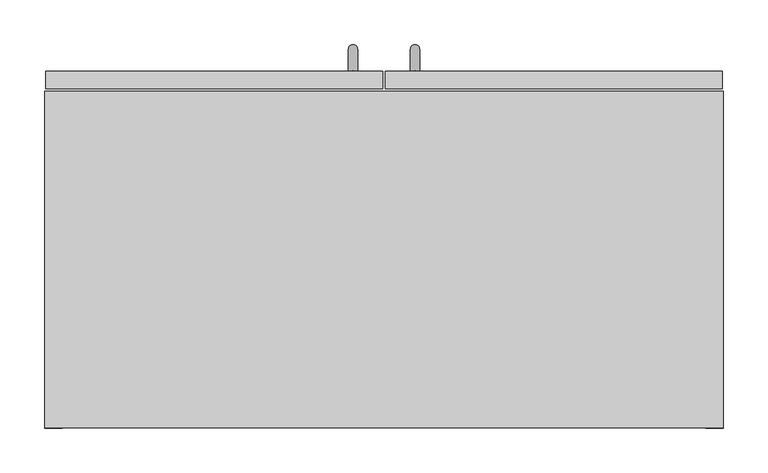
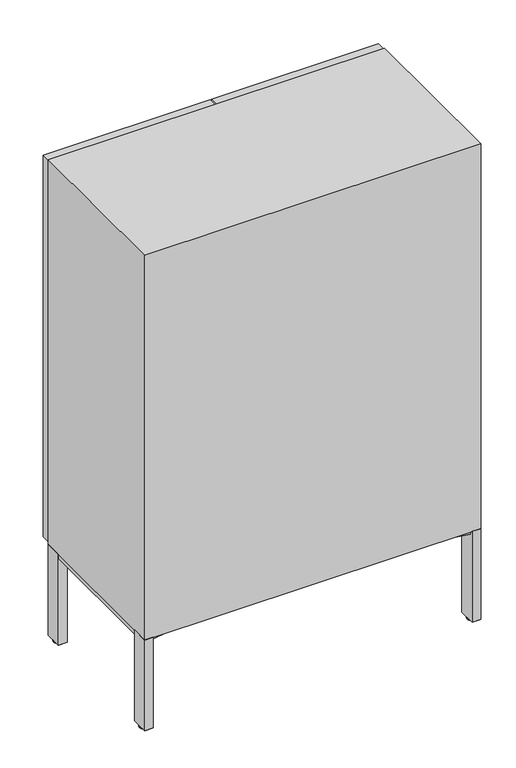
"""IFC4 building model written with IfcOpenShell, lengths in millimetres: furniture geometry."""

import ifcopenshell
import ifcopenshell.guid

model = None  # the IFC model being written
_history = None  # IfcOwnerHistory: only IFC2X3 demands one
_inside = {}  # id of a spatial element -> (the spatial element, [elements in it])
_under = {}  # id of a project, library or spatial element -> (it, [spatial elements below it])
_declared = {}  # id of a project -> (the project, [libraries it declares])
_typed = {}  # id of a type object -> (the type object, [elements of that type])
_made_of = {}  # id of a material, layer set ... -> (it, [elements and type objects made of it])


def new_model(schema):
    """Start an empty IFC model of exactly this schema.

    Asked for "IFC4X3", IfcOpenShell would pick the latest addendum, in which some entities
    have other attributes; the version numbers below select the first issue.
    IFC2X3 requires an IfcOwnerHistory on every rooted entity: one is made here for all.
    """
    global model, _history
    if schema == "IFC4X3":
        model = ifcopenshell.file(schema_version=(4, 3, 0, 0))
    else:
        model = ifcopenshell.file(schema=schema)
    _inside.clear()
    _under.clear()
    _declared.clear()
    _typed.clear()
    _made_of.clear()
    _history = None
    if model.schema == "IFC2X3":
        org = make("IfcOrganization", Name="unknown")
        user = make(
            "IfcPersonAndOrganization",
            ThePerson=make("IfcPerson", FamilyName="unknown"),
            TheOrganization=org,
        )
        app = make(
            "IfcApplication",
            ApplicationDeveloper=org,
            Version="unknown",
            ApplicationFullName="unknown",
            ApplicationIdentifier="unknown",
        )
        _history = make(
            "IfcOwnerHistory",
            OwningUser=user,
            OwningApplication=app,
            ChangeAction="ADDED",
            CreationDate=0,
        )
    return model


def make(cls, **values):
    """One entity of the class cls with the attributes given. An attribute that is None is left unset."""
    return model.create_entity(
        cls, **{name: value for name, value in values.items() if value is not None}
    )


def rooted(cls, **values):
    """An entity with a GlobalId (a new one), such as an element, a storey or a relation."""
    return make(cls, GlobalId=ifcopenshell.guid.new(), OwnerHistory=_history, **values)


def si_unit(unit_type, name, prefix=None):
    """IfcSIUnit, for example si_unit("LENGTHUNIT", "METRE", prefix="MILLI")."""
    return make("IfcSIUnit", UnitType=unit_type, Prefix=prefix, Name=name)


def assignment(units):
    """IfcUnitAssignment: the units of a project."""
    return None if units is None else make("IfcUnitAssignment", Units=units)


def point(xyz):
    """IfcCartesianPoint."""
    return None if xyz is None else make("IfcCartesianPoint", Coordinates=xyz)


def direction(xyz):
    """IfcDirection."""
    return None if xyz is None else make("IfcDirection", DirectionRatios=xyz)


def frame(location, z_axis=None, x_axis=None):
    """IfcAxis2Placement3D, a coordinate frame: its origin and axes. An axis left out is left unset."""
    return make(
        "IfcAxis2Placement3D",
        Location=point(location),
        Axis=direction(z_axis),
        RefDirection=direction(x_axis),
    )


def origin():
    """The frame at (0, 0, 0) with its axes left unset."""
    return frame((0.0, 0.0, 0.0))


def place(relative_to, where):
    """IfcLocalPlacement: puts the frame where relative to a parent placement (None: the world)."""
    return make(
        "IfcLocalPlacement", PlacementRelTo=relative_to, RelativePlacement=where
    )


def context(
    kind, dimensions, precision=None, world=None, true_north=None, identifier=None
):
    """IfcGeometricRepresentationContext, for example the 3D "Model" context."""
    return make(
        "IfcGeometricRepresentationContext",
        ContextIdentifier=identifier,
        ContextType=kind,
        CoordinateSpaceDimension=dimensions,
        Precision=precision,
        WorldCoordinateSystem=world,
        TrueNorth=true_north,
    )


def project(units=None, contexts=None):
    """IfcProject with its units and contexts."""
    return rooted(
        "IfcProject",
        Name="project",
        RepresentationContexts=contexts,
        UnitsInContext=assignment(units),
    )


def spatial(cls, under=None, at=None, **own):
    """A site, building, storey or space (cls), placed at a placement, below another one or the project."""
    s = rooted(cls, ObjectPlacement=at, **own)
    if under is not None:
        _under.setdefault(under.id(), (under, []))[1].append(s)
    return s


def polyline(points):
    """IfcPolyline through the points."""
    return make("IfcPolyline", Points=[point(p) for p in points])


def circle_curve(where, radius):
    """IfcCircle in the frame where."""
    return make("IfcCircle", Position=where, Radius=radius)


def ellipse_curve(where, semi_axis1, semi_axis2):
    """IfcEllipse in the frame where."""
    return make(
        "IfcEllipse", Position=where, SemiAxis1=semi_axis1, SemiAxis2=semi_axis2
    )


def trimmed(basis, trim1, trim2, sense, master):
    """IfcTrimmedCurve: the piece of a basis curve between two trims."""
    return make(
        "IfcTrimmedCurve",
        BasisCurve=basis,
        Trim1=trim1,
        Trim2=trim2,
        SenseAgreement=sense,
        MasterRepresentation=master,
    )


def outline(outer, holes=None, kind="AREA"):
    """IfcArbitraryClosedProfileDef: a profile drawn as a closed curve; with holes, ...WithVoids."""
    if holes is None:
        return make("IfcArbitraryClosedProfileDef", ProfileType=kind, OuterCurve=outer)
    return make(
        "IfcArbitraryProfileDefWithVoids",
        ProfileType=kind,
        OuterCurve=outer,
        InnerCurves=holes,
    )


def extrude(swept, where, along, depth):
    """IfcExtrudedAreaSolid: the profile swept, set in the frame where, extruded along a direction by depth."""
    return make(
        "IfcExtrudedAreaSolid",
        SweptArea=swept,
        Position=where,
        ExtrudedDirection=direction(along),
        Depth=depth,
    )


def faces_of(points, faces, orient=None, outer=None):
    """IfcFace entities. A face is a list of loops; a loop is a list of indices into points, from 0.

    orient and outer hold one flag for each loop. By default every Orientation is true, the
    first loop of a face is its IfcFaceOuterBound and the others are IfcFaceBound.
    """
    made = []
    for i, loops in enumerate(faces):
        bounds = []
        for j, loop in enumerate(loops):
            is_outer = j == 0 if outer is None else outer[i][j]
            bounds.append(
                make(
                    "IfcFaceOuterBound" if is_outer else "IfcFaceBound",
                    Bound=make("IfcPolyLoop", Polygon=[points[k] for k in loop]),
                    Orientation=True if orient is None else orient[i][j],
                )
            )
        made.append(make("IfcFace", Bounds=bounds))
    return made


def faceted_brep(points, faces, orient=None, outer=None, voids=None):
    """IfcFacetedBrep: a solid bounded by flat faces; with voids (closed shells), ...WithVoids."""
    shared = [point(p) for p in points]
    hull = make("IfcClosedShell", CfsFaces=faces_of(shared, faces, orient, outer))
    if voids is None:
        return make("IfcFacetedBrep", Outer=hull)
    return make(
        "IfcFacetedBrepWithVoids",
        Outer=hull,
        Voids=[
            make(cls, CfsFaces=faces_of(shared, fs, o, b)) for cls, fs, o, b in voids
        ],
    )


def shape(context_of_items, identifier, shape_type, items):
    """IfcShapeRepresentation: the items that make up one representation, for example the "Body"."""
    return make(
        "IfcShapeRepresentation",
        ContextOfItems=context_of_items,
        RepresentationIdentifier=identifier,
        RepresentationType=shape_type,
        Items=items,
    )


def source(mapping_origin, context_of_items, identifier, shape_type, items):
    """IfcRepresentationMap: a shape defined once, which mapped items show again and again."""
    return make(
        "IfcRepresentationMap",
        MappingOrigin=mapping_origin,
        MappedRepresentation=shape(context_of_items, identifier, shape_type, items),
    )


def transform(
    local_origin,
    x_axis=None,
    y_axis=None,
    z_axis=None,
    scale=None,
    scale2=None,
    scale3=None,
    uniform=True,
):
    """IfcCartesianTransformationOperator3D, or its non-uniform kind. x_axis, y_axis, z_axis: its Axis1, 2, 3."""
    if uniform:
        return make(
            "IfcCartesianTransformationOperator3D",
            Axis1=direction(x_axis),
            Axis2=direction(y_axis),
            LocalOrigin=point(local_origin),
            Scale=scale,
            Axis3=direction(z_axis),
        )
    return make(
        "IfcCartesianTransformationOperator3DnonUniform",
        Axis1=direction(x_axis),
        Axis2=direction(y_axis),
        LocalOrigin=point(local_origin),
        Scale=scale,
        Axis3=direction(z_axis),
        Scale2=scale2,
        Scale3=scale3,
    )


def mapped(mapping_source, mapping_target):
    """IfcMappedItem: shows the shape of a source again, moved by a transform."""
    return make(
        "IfcMappedItem", MappingSource=mapping_source, MappingTarget=mapping_target
    )


def made_of(thing, what):
    """Note that an element or type object is made of a material, layer set ...; save() writes the relation."""
    if what is not None:
        _made_of.setdefault(what.id(), (what, []))[1].append(thing)
    return thing


def element(
    cls,
    number,
    at=None,
    inside=None,
    cuts=None,
    type_object=None,
    material=None,
    context=None,
    identifier="Body",
    shape_type=None,
    held_by="IfcProductDefinitionShape",
    body=None,
    shapes=None,
    **own,
):
    """One element of the class cls, such as IfcWall. Its Tag is "e" and its number.

    at: its placement. inside: the storey or other place that contains it. cuts: it is an
    opening in that element (IfcRelVoidsElement). A single representation is given by context,
    identifier, shape_type and body (its items); several are given by shapes. held_by: the class
    of the entity that holds the representations. save() writes the other relations.
    """
    e = rooted(cls, Tag="e%d" % number, ObjectPlacement=at, **own)
    if body is not None:
        shapes = [shape(context, identifier, shape_type, body)]
    if shapes is not None:
        e.Representation = make(held_by, Representations=shapes)
    if inside is not None:
        _inside.setdefault(inside.id(), (inside, []))[1].append(e)
    if cuts is not None:
        rooted(
            "IfcRelVoidsElement", RelatingBuildingElement=cuts, RelatedOpeningElement=e
        )
    if type_object is not None:
        _typed.setdefault(type_object.id(), (type_object, []))[1].append(e)
    return made_of(e, material)


def aggregate(whole, parts):
    """IfcRelAggregates: a whole, such as a stair, and the parts it consists of."""
    return rooted("IfcRelAggregates", RelatingObject=whole, RelatedObjects=parts)


def save(model, path):
    """Write the relations noted so far, then the file.

    IfcRelAggregates (storeys below a building ...), IfcRelContainedInSpatialStructure (elements
    in a storey), IfcRelDefinesByType, IfcRelAssociatesMaterial and IfcRelDeclares: one each for
    every whole, place, type object, material and project.
    """
    for whole, parts in _under.values():
        aggregate(whole, parts)
    for where, things in _inside.values():
        rooted(
            "IfcRelContainedInSpatialStructure",
            RelatedElements=things,
            RelatingStructure=where,
        )
    for kind, things in _typed.values():
        rooted("IfcRelDefinesByType", RelatedObjects=things, RelatingType=kind)
    for what, things in _made_of.values():
        rooted("IfcRelAssociatesMaterial", RelatedObjects=things, RelatingMaterial=what)
    for by, libraries in _declared.values():
        rooted("IfcRelDeclares", RelatingContext=by, RelatedDefinitions=libraries)
    model.write(path)


def plane_surface(at):
    """IfcPlane: the flat surface through the origin of the frame at, square to its z axis."""
    return make("IfcPlane", Position=at)


def cylinder_surface(at, radius):
    """IfcCylindricalSurface: all points at the distance radius from the z axis of the frame at."""
    return make("IfcCylindricalSurface", Position=at, Radius=radius)


def revolved_surface(curve, axis_point, axis_direction):
    """IfcSurfaceOfRevolution: the curve turned about the line through axis_point along axis_direction."""
    return make(
        "IfcSurfaceOfRevolution",
        SweptCurve=make("IfcArbitraryOpenProfileDef", ProfileType="CURVE", Curve=curve),
        AxisPosition=make("IfcAxis1Placement", Location=point(axis_point), Axis=direction(axis_direction)),
    )


def advanced_brep(points, edges, surfaces, faces):
    """IfcAdvancedBrep: a solid bounded by faces that lie on surfaces and meet in shared edges.

    An edge is (start, end): straight between two places in points (the first is 0);
    or (start, end, curve); or (start, end, curve, False) where it runs against its curve.
    A face is (place in surfaces, loops), or (place, loops, False) where it looks against
    its surface's normal. A loop lists edges by number (the first is 1), with a minus sign
    where the edge is run from its end to its start. The first loop is the outer one.
    """
    corners = [point(p) for p in points]
    vertices = [make("IfcVertexPoint", VertexGeometry=c) for c in corners]
    made = []
    for start, end, *more in edges:
        made.append(
            make(
                "IfcEdgeCurve",
                EdgeStart=vertices[start],
                EdgeEnd=vertices[end],
                EdgeGeometry=more[0] if more else make("IfcPolyline", Points=[corners[start], corners[end]]),
                SameSense=more[1] if len(more) > 1 else True,
            )
        )
    hull = []
    for where, loops, *sense in faces:
        bounds = []
        for j, loop in enumerate(loops):
            ring = [make("IfcOrientedEdge", EdgeElement=made[abs(k) - 1], Orientation=k > 0) for k in loop]
            bounds.append(
                make(
                    "IfcFaceOuterBound" if j == 0 else "IfcFaceBound",
                    Bound=make("IfcEdgeLoop", EdgeList=ring),
                    Orientation=True,
                )
            )
        hull.append(make("IfcAdvancedFace", Bounds=bounds, FaceSurface=surfaces[where], SameSense=sense[0] if sense else True))
    return make("IfcAdvancedBrep", Outer=make("IfcClosedShell", CfsFaces=hull))


def furniture_39025631(model_context):
    return source(origin(), model_context, "Body", "SolidModel", [
        advanced_brep(
        [(752.078125, 350.5565183, 0.0), (752.078125, 358.1906364, 0.0), (752.078125, 365.8247546, 0.0), (752.078125, 348.2844582, 2.2720601), (752.078125, 368.0968147, 2.2720601), (752.078125, 348.2844582, 3.8099903), (752.078125, 368.0968147, 3.8099903), (752.078125, 358.1906364, 3.8099903)],
        [
            (0, 1),
            (1, 2),
            (2, 0, circle_curve(frame((752.078125, 358.1906364, 0.0), z_axis=(0.0, 0.0, -1.0), x_axis=(0.0, 1.0, 0.0)), 7.6341181)),
            (0, 2, circle_curve(frame((752.078125, 358.1906364, 0.0), z_axis=(0.0, 0.0, -1.0), x_axis=(0.0, 1.0, 0.0)), 7.6341181)),
            (3, 0, circle_curve(frame((752.078125, 350.5565183, 2.2720601), z_axis=(1.0, 0.0, 0.0), x_axis=(0.0, 1.0, 0.0)), 2.2720601)),
            (2, 4, circle_curve(frame((752.078125, 365.8247546, 2.2720601), z_axis=(1.0, 0.0, 0.0), x_axis=(0.0, -1.0, 0.0)), 2.2720601)),
            (4, 3, circle_curve(frame((752.078125, 358.1906364, 2.2720601), z_axis=(0.0, 0.0, -1.0), x_axis=(0.0, 1.0, 0.0)), 9.9061783)),
            (3, 4, circle_curve(frame((752.078125, 358.1906364, 2.2720601), z_axis=(0.0, 0.0, -1.0), x_axis=(0.0, 1.0, 0.0)), 9.9061783)),
            (5, 3),
            (4, 6),
            (6, 5, circle_curve(frame((752.078125, 358.1906364, 3.8099903), z_axis=(0.0, 0.0, -1.0), x_axis=(0.0, 1.0, 0.0)), 9.9061783)),
            (5, 6, circle_curve(frame((752.078125, 358.1906364, 3.8099903), z_axis=(0.0, 0.0, -1.0), x_axis=(0.0, 1.0, 0.0)), 9.9061783)),
            (7, 5),
            (6, 7),
        ],
        [
            plane_surface(frame((752.078125, 358.1906364, 0.0), z_axis=(0.0, 0.0, -1.0), x_axis=(0.0, 1.0, 0.0))),
            revolved_surface(trimmed(ellipse_curve(frame((752.078125, 365.8247546, 2.2720601), z_axis=(1.0, 0.0, 0.0), x_axis=(0.0, -1.0, 0.0)), 2.2720601, 2.2720601), [point((752.078125, 365.8247546, 0.0))], [point((752.078125, 368.0968147, 2.2720601))], True, "CARTESIAN"), (752.078125, 358.1906364, 7.1227407), (0.0, 0.0, 1.0)),
            cylinder_surface(frame((752.078125, 358.1906364, 7.1227407), z_axis=(0.0, 0.0, 1.0), x_axis=(0.0, 1.0, 0.0)), 9.9061783),
            plane_surface(frame((752.078125, 358.1906364, 3.8099903), z_axis=(0.0, 0.0, 1.0), x_axis=(0.0, 1.0, 0.0))),
        ],
        [
            (0, [[1, 2, 3]]),
            (0, [[-2, -1, 4]]),
            (1, [[5, -3, 6, 7]]),
            (1, [[-6, -4, -5, 8]]),
            (2, [[9, -7, 10, 11]]),
            (2, [[-10, -8, -9, 12]]),
            (3, [[13, -11, 14]]),
            (3, [[-14, -12, -13]]),
        ],
    ),
        extrude(outline(polyline([(743.8854686, 376.2345932), (760.1414228, 376.2345932), (760.1414228, 340.1469704), (743.8854686, 340.1469704), (743.8854686, 376.2345932)]), holes=[polyline([(745.1554613, 374.9646126), (745.1554613, 341.416951), (758.871424, 341.416951), (758.871424, 374.9646126), (745.1554613, 374.9646126)])]), frame((0.0, 0.0, 3.8099903), z_axis=(0.0, 0.0, 1.0), x_axis=(1.0, 0.0, 0.0)), (0.0, 0.0, 1.0), 1.5750008),
        extrude(outline(polyline([(655.9709602, 354.586388), (742.1836224, 371.3444319), (742.1836224, 338.3787643), (759.6140763, 338.3787643), (759.6140763, 257.8690794), (624.2679386, 241.2866938), (624.2679386, 335.4554316), (658.4000055, 342.0900333), (655.9709602, 354.586388)])), frame((0.0, 0.0, 211.9174185), z_axis=(0.0, 0.0, 1.0), x_axis=(1.0, 0.0, 0.0)), (0.0, 0.0, 1.0), 10.7575071),
        extrude(outline(polyline([(742.1836224, 378.0027992), (762.0, 378.0027992), (762.0, 338.3787643), (742.1836224, 338.3787643), (742.1836224, 378.0027992)])), frame((0.0, 0.0, 5.3850274), z_axis=(0.0, 0.0, 1.0), x_axis=(1.0, 0.0, 0.0)), (0.0, 0.0, 1.0), 217.2898982),
        advanced_brep(
        [(752.078125, 27.4462809, 0.0), (752.078125, 12.1780446, 0.0), (752.078125, 19.8121628, 0.0), (752.078125, 29.7183411, 2.2720601), (752.078125, 9.9059845, 2.2720601), (752.078125, 29.7183411, 3.8099903), (752.078125, 9.9059845, 3.8099903), (752.078125, 19.8121628, 3.8099903)],
        [
            (0, 1, circle_curve(frame((752.078125, 19.8121628, 0.0), z_axis=(0.0, 0.0, -1.0), x_axis=(0.0, -1.0, 0.0)), 7.6341181)),
            (1, 2),
            (2, 0),
            (1, 0, circle_curve(frame((752.078125, 19.8121628, 0.0), z_axis=(0.0, 0.0, -1.0), x_axis=(0.0, -1.0, 0.0)), 7.6341181)),
            (3, 4, circle_curve(frame((752.078125, 19.8121628, 2.2720601), z_axis=(0.0, 0.0, -1.0), x_axis=(0.0, -1.0, 0.0)), 9.9061783)),
            (4, 1, circle_curve(frame((752.078125, 12.1780446, 2.2720601), z_axis=(1.0, 0.0, 0.0), x_axis=(0.0, 1.0, 0.0)), 2.2720601)),
            (0, 3, circle_curve(frame((752.078125, 27.4462809, 2.2720601), z_axis=(1.0, 0.0, 0.0), x_axis=(0.0, -1.0, 0.0)), 2.2720601)),
            (4, 3, circle_curve(frame((752.078125, 19.8121628, 2.2720601), z_axis=(0.0, 0.0, -1.0), x_axis=(0.0, -1.0, 0.0)), 9.9061783)),
            (5, 6, circle_curve(frame((752.078125, 19.8121628, 3.8099903), z_axis=(0.0, 0.0, -1.0), x_axis=(0.0, -1.0, 0.0)), 9.9061783)),
            (6, 4),
            (3, 5),
            (6, 5, circle_curve(frame((752.078125, 19.8121628, 3.8099903), z_axis=(0.0, 0.0, -1.0), x_axis=(0.0, -1.0, 0.0)), 9.9061783)),
            (7, 6),
            (5, 7),
        ],
        [
            plane_surface(frame((752.078125, 19.8121628, 0.0), z_axis=(0.0, 0.0, -1.0), x_axis=(0.0, -1.0, 0.0))),
            revolved_surface(trimmed(ellipse_curve(frame((752.078125, 12.1780446, 2.2720601), z_axis=(-1.0, 0.0, 0.0), x_axis=(0.0, 1.0, 0.0)), 2.2720601, 2.2720601), [point((752.078125, 12.1780446, 0.0))], [point((752.078125, 9.9059845, 2.2720601))], True, "CARTESIAN"), (752.078125, 19.8121628, 7.1227407), (0.0, 0.0, 1.0)),
            cylinder_surface(frame((752.078125, 19.8121628, 7.1227407), z_axis=(0.0, 0.0, 1.0), x_axis=(0.0, -1.0, 0.0)), 9.9061783),
            plane_surface(frame((752.078125, 19.8121628, 3.8099903), z_axis=(0.0, 0.0, 1.0), x_axis=(0.0, -1.0, 0.0))),
        ],
        [
            (0, [[1, 2, 3]]),
            (0, [[4, -3, -2]]),
            (1, [[5, 6, -1, 7]]),
            (1, [[8, -7, -4, -6]]),
            (2, [[9, 10, -5, 11]]),
            (2, [[12, -11, -8, -10]]),
            (3, [[13, -9, 14]]),
            (3, [[-14, -12, -13]]),
        ],
    ),
        extrude(outline(polyline([(743.8854686, 1.768206), (743.8854686, 37.8558289), (760.1414228, 37.8558289), (760.1414228, 1.768206), (743.8854686, 1.768206)]), holes=[polyline([(745.1554613, 3.0381866), (758.871424, 3.0381866), (758.871424, 36.5858482), (745.1554613, 36.5858482), (745.1554613, 3.0381866)])]), frame((0.0, 0.0, 3.8099903), z_axis=(0.0, 0.0, 1.0), x_axis=(1.0, 0.0, 0.0)), (0.0, 0.0, 1.0), 1.5750008),
        extrude(outline(polyline([(655.9709602, 23.4164113), (658.4000055, 35.9127659), (624.2679386, 42.5473676), (624.2679386, 136.7161055), (759.6140763, 120.1337198), (759.6140763, 39.6240349), (742.1836224, 39.6240349), (742.1836224, 6.6583673), (655.9709602, 23.4164113)])), frame((0.0, 0.0, 211.9174185), z_axis=(0.0, 0.0, 1.0), x_axis=(1.0, 0.0, 0.0)), (0.0, 0.0, 1.0), 10.7575071),
        extrude(outline(polyline([(742.1836224, 0.0), (742.1836224, 39.6240349), (762.0, 39.6240349), (762.0, 0.0), (742.1836224, 0.0)])), frame((0.0, 0.0, 5.3850274), z_axis=(0.0, 0.0, 1.0), x_axis=(1.0, 0.0, 0.0)), (0.0, 0.0, 1.0), 217.2898982),
        advanced_brep(
        [(9.921875, 350.5565183, 0.0), (9.921875, 365.8247546, 0.0), (9.921875, 358.1906364, 0.0), (9.921875, 348.2844582, 2.2720601), (9.921875, 368.0968147, 2.2720601), (9.921875, 348.2844582, 3.8099903), (9.921875, 368.0968147, 3.8099903), (9.921875, 358.1906364, 3.8099903)],
        [
            (0, 1, circle_curve(frame((9.921875, 358.1906364, 0.0), z_axis=(0.0, 0.0, -1.0), x_axis=(0.0, 1.0, 0.0)), 7.6341181)),
            (1, 2),
            (2, 0),
            (1, 0, circle_curve(frame((9.921875, 358.1906364, 0.0), z_axis=(0.0, 0.0, -1.0), x_axis=(0.0, 1.0, 0.0)), 7.6341181)),
            (3, 4, circle_curve(frame((9.921875, 358.1906364, 2.2720601), z_axis=(0.0, 0.0, -1.0), x_axis=(0.0, 1.0, 0.0)), 9.9061783)),
            (4, 1, circle_curve(frame((9.921875, 365.8247546, 2.2720601), z_axis=(-1.0, 0.0, 0.0), x_axis=(0.0, -1.0, 0.0)), 2.2720601)),
            (0, 3, circle_curve(frame((9.921875, 350.5565183, 2.2720601), z_axis=(-1.0, 0.0, 0.0), x_axis=(0.0, 1.0, 0.0)), 2.2720601)),
            (4, 3, circle_curve(frame((9.921875, 358.1906364, 2.2720601), z_axis=(0.0, 0.0, -1.0), x_axis=(0.0, 1.0, 0.0)), 9.9061783)),
            (5, 6, circle_curve(frame((9.921875, 358.1906364, 3.8099903), z_axis=(0.0, 0.0, -1.0), x_axis=(0.0, 1.0, 0.0)), 9.9061783)),
            (6, 4),
            (3, 5),
            (6, 5, circle_curve(frame((9.921875, 358.1906364, 3.8099903), z_axis=(0.0, 0.0, -1.0), x_axis=(0.0, 1.0, 0.0)), 9.9061783)),
            (7, 6),
            (5, 7),
        ],
        [
            plane_surface(frame((9.921875, 358.1906364, 0.0), z_axis=(0.0, 0.0, -1.0), x_axis=(0.0, 1.0, 0.0))),
            revolved_surface(trimmed(ellipse_curve(frame((9.921875, 365.8247546, 2.2720601), z_axis=(1.0, 0.0, 0.0), x_axis=(0.0, -1.0, 0.0)), 2.2720601, 2.2720601), [point((9.921875, 365.8247546, 0.0))], [point((9.921875, 368.0968147, 2.2720601))], True, "CARTESIAN"), (9.921875, 358.1906364, 7.1227407), (0.0, 0.0, 1.0)),
            cylinder_surface(frame((9.921875, 358.1906364, 7.1227407), z_axis=(0.0, 0.0, 1.0), x_axis=(0.0, 1.0, 0.0)), 9.9061783),
            plane_surface(frame((9.921875, 358.1906364, 3.8099903), z_axis=(0.0, 0.0, 1.0), x_axis=(0.0, 1.0, 0.0))),
        ],
        [
            (0, [[1, 2, 3]]),
            (0, [[4, -3, -2]]),
            (1, [[5, 6, -1, 7]]),
            (1, [[8, -7, -4, -6]]),
            (2, [[9, 10, -5, 11]]),
            (2, [[12, -11, -8, -10]]),
            (3, [[13, -9, 14]]),
            (3, [[-14, -12, -13]]),
        ],
    ),
        extrude(outline(polyline([(18.1145314, 376.2345932), (18.1145314, 340.1469704), (1.8585772, 340.1469704), (1.8585772, 376.2345932), (18.1145314, 376.2345932)]), holes=[polyline([(16.8445387, 374.9646126), (3.128576, 374.9646126), (3.128576, 341.416951), (16.8445387, 341.416951), (16.8445387, 374.9646126)])]), frame((0.0, 0.0, 3.8099903), z_axis=(0.0, 0.0, 1.0), x_axis=(1.0, 0.0, 0.0)), (0.0, 0.0, 1.0), 1.5750008),
        extrude(outline(polyline([(106.0290398, 354.586388), (103.5999945, 342.0900333), (137.7320614, 335.4554316), (137.7320614, 241.2866938), (2.3859237, 257.8690794), (2.3859237, 338.3787643), (19.8163776, 338.3787643), (19.8163776, 371.3444319), (106.0290398, 354.586388)])), frame((0.0, 0.0, 211.9174185), z_axis=(0.0, 0.0, 1.0), x_axis=(1.0, 0.0, 0.0)), (0.0, 0.0, 1.0), 10.7575071),
        extrude(outline(polyline([(19.8163776, 378.0027992), (19.8163776, 338.3787643), (0.0, 338.3787643), (0.0, 378.0027992), (19.8163776, 378.0027992)])), frame((0.0, 0.0, 5.3850274), z_axis=(0.0, 0.0, 1.0), x_axis=(1.0, 0.0, 0.0)), (0.0, 0.0, 1.0), 217.2898982),
        advanced_brep(
        [(9.921875, 27.4462809, 0.0), (9.921875, 19.8121628, 0.0), (9.921875, 12.1780446, 0.0), (9.921875, 29.7183411, 2.2720601), (9.921875, 9.9059845, 2.2720601), (9.921875, 29.7183411, 3.8099903), (9.921875, 9.9059845, 3.8099903), (9.921875, 19.8121628, 3.8099903)],
        [
            (0, 1),
            (1, 2),
            (2, 0, circle_curve(frame((9.921875, 19.8121628, 0.0), z_axis=(0.0, 0.0, -1.0), x_axis=(0.0, -1.0, 0.0)), 7.6341181)),
            (0, 2, circle_curve(frame((9.921875, 19.8121628, 0.0), z_axis=(0.0, 0.0, -1.0), x_axis=(0.0, -1.0, 0.0)), 7.6341181)),
            (3, 0, circle_curve(frame((9.921875, 27.4462809, 2.2720601), z_axis=(-1.0, 0.0, 0.0), x_axis=(0.0, -1.0, 0.0)), 2.2720601)),
            (2, 4, circle_curve(frame((9.921875, 12.1780446, 2.2720601), z_axis=(-1.0, 0.0, 0.0), x_axis=(0.0, 1.0, 0.0)), 2.2720601)),
            (4, 3, circle_curve(frame((9.921875, 19.8121628, 2.2720601), z_axis=(0.0, 0.0, -1.0), x_axis=(0.0, -1.0, 0.0)), 9.9061783)),
            (3, 4, circle_curve(frame((9.921875, 19.8121628, 2.2720601), z_axis=(0.0, 0.0, -1.0), x_axis=(0.0, -1.0, 0.0)), 9.9061783)),
            (5, 3),
            (4, 6),
            (6, 5, circle_curve(frame((9.921875, 19.8121628, 3.8099903), z_axis=(0.0, 0.0, -1.0), x_axis=(0.0, -1.0, 0.0)), 9.9061783)),
            (5, 6, circle_curve(frame((9.921875, 19.8121628, 3.8099903), z_axis=(0.0, 0.0, -1.0), x_axis=(0.0, -1.0, 0.0)), 9.9061783)),
            (7, 5),
            (6, 7),
        ],
        [
            plane_surface(frame((9.921875, 19.8121628, 0.0), z_axis=(0.0, 0.0, -1.0), x_axis=(0.0, -1.0, 0.0))),
            revolved_surface(trimmed(ellipse_curve(frame((9.921875, 12.1780446, 2.2720601), z_axis=(-1.0, 0.0, 0.0), x_axis=(0.0, 1.0, 0.0)), 2.2720601, 2.2720601), [point((9.921875, 12.1780446, 0.0))], [point((9.921875, 9.9059845, 2.2720601))], True, "CARTESIAN"), (9.921875, 19.8121628, 7.1227407), (0.0, 0.0, 1.0)),
            cylinder_surface(frame((9.921875, 19.8121628, 7.1227407), z_axis=(0.0, 0.0, 1.0), x_axis=(0.0, -1.0, 0.0)), 9.9061783),
            plane_surface(frame((9.921875, 19.8121628, 3.8099903), z_axis=(0.0, 0.0, 1.0), x_axis=(0.0, -1.0, 0.0))),
        ],
        [
            (0, [[1, 2, 3]]),
            (0, [[-2, -1, 4]]),
            (1, [[5, -3, 6, 7]]),
            (1, [[-6, -4, -5, 8]]),
            (2, [[9, -7, 10, 11]]),
            (2, [[-10, -8, -9, 12]]),
            (3, [[13, -11, 14]]),
            (3, [[-14, -12, -13]]),
        ],
    ),
        extrude(outline(polyline([(18.1145314, 1.768206), (1.8585772, 1.768206), (1.8585772, 37.8558289), (18.1145314, 37.8558289), (18.1145314, 1.768206)]), holes=[polyline([(16.8445387, 3.0381866), (16.8445387, 36.5858482), (3.128576, 36.5858482), (3.128576, 3.0381866), (16.8445387, 3.0381866)])]), frame((0.0, 0.0, 3.8099903), z_axis=(0.0, 0.0, 1.0), x_axis=(1.0, 0.0, 0.0)), (0.0, 0.0, 1.0), 1.5750008),
        extrude(outline(polyline([(106.0290398, 23.4164113), (19.8163776, 6.6583673), (19.8163776, 39.6240349), (2.3859237, 39.6240349), (2.3859237, 120.1337198), (137.7320614, 136.7161055), (137.7320614, 42.5473676), (103.5999945, 35.9127659), (106.0290398, 23.4164113)])), frame((0.0, 0.0, 211.9174185), z_axis=(0.0, 0.0, 1.0), x_axis=(1.0, 0.0, 0.0)), (0.0, 0.0, 1.0), 10.7575071),
        extrude(outline(polyline([(19.8163776, 0.0), (0.0, 0.0), (0.0, 39.6240349), (19.8163776, 39.6240349), (19.8163776, 0.0)])), frame((0.0, 0.0, 5.3850274), z_axis=(0.0, 0.0, 1.0), x_axis=(1.0, 0.0, 0.0)), (0.0, 0.0, 1.0), 217.2898982),
        extrude(outline(polyline([(741.8326263, 377.952), (741.8326263, 20.1676), (20.1673737, 20.1676), (20.1673737, 377.952), (741.8326263, 377.952)])), frame((0.0, 0.0, 895.858), z_axis=(0.0, 0.0, 1.0), x_axis=(1.0, 0.0, 0.0)), (0.0, 0.0, 1.0), 20.1675917),
        extrude(outline(polyline([(741.8326263, 377.952), (741.8326263, 20.1676), (20.1673737, 20.1676), (20.1673737, 377.952), (741.8326263, 377.952)])), frame((0.0, 0.0, 558.1395994), z_axis=(0.0, 0.0, 1.0), x_axis=(1.0, 0.0, 0.0)), (0.0, 0.0, 1.0), 20.1675917),
        extrude(outline(polyline([(212.5522996, 0.2282928), (212.5522996, 13.8934349), (214.1524565, 13.8934349), (214.1524565, 1.8282314), (222.6749256, 1.8282314), (222.6749256, 0.2282928), (212.5522996, 0.2282928)])), frame((0.0, 39.6240349, 0.0), z_axis=(0.0, 1.0, 0.0), x_axis=(0.0, 0.0, 1.0)), (0.0, 0.0, 1.0), 301.7524483),
        extrude(outline(polyline([(212.5522996, 761.2156487), (222.6749256, 761.2156487), (222.6749256, 759.61571), (214.1524565, 759.61571), (214.1524565, 747.5505065), (212.5522996, 747.5505065), (212.5522996, 761.2156487)])), frame((0.0, 39.6240349, 0.0), z_axis=(0.0, 1.0, 0.0), x_axis=(0.0, 0.0, 1.0)), (0.0, 0.0, 1.0), 301.7524483),
        advanced_brep(
        [(351.2586508, 396.8646792, 983.5625513), (341.0986508, 396.8646792, 983.5625513), (351.2586508, 396.8646792, 824.2609635), (341.0986508, 396.8646792, 824.2609635)],
        [
            (0, 1, circle_curve(frame((346.1786508, 396.8646792, 983.5625513), z_axis=(0.0, -0.6426617002147492, 0.7661500760798029), x_axis=(-1.0, 0.0, 0.0)), 5.08)),
            (1, 0, circle_curve(frame((346.1786508, 396.8646792, 983.5625513), z_axis=(0.0, -0.6426617002147492, 0.7661500760798029), x_axis=(-1.0, 0.0, 0.0)), 5.08)),
            (2, 3, circle_curve(frame((346.1786508, 396.8646792, 824.2609635), z_axis=(0.0, -0.642661700214741, -0.7661500760798098), x_axis=(-1.0, 0.0, 0.0)), 5.08)),
            (3, 2, circle_curve(frame((346.1786508, 396.8646792, 824.2609635), z_axis=(0.0, -0.642661700214741, -0.7661500760798098), x_axis=(-1.0, 0.0, 0.0)), 5.08)),
            (2, 0, circle_curve(frame((351.2586508, 301.90887, 903.9117574), z_axis=(1.0, 0.0, 0.0), x_axis=(0.0, 0.7661500760798029, 0.6426617002147492)), 123.9389151)),
            (1, 3, circle_curve(frame((341.0986508, 301.90887, 903.9117574), z_axis=(-1.0, 0.0, 0.0), x_axis=(0.0, 0.7661500760798029, 0.6426617002147492)), 123.9389151)),
        ],
        [
            plane_surface(frame((381.0, 400.3802124, 986.5114494), z_axis=(0.0, -0.6426617002147492, 0.7661500760798029), x_axis=(-1.0, 0.0, 0.0))),
            plane_surface(frame((381.0, 400.3802124, 821.3120653), z_axis=(0.0, -0.642661700214741, -0.7661500760798098), x_axis=(-1.0, 0.0, 0.0))),
            revolved_surface(trimmed(ellipse_curve(frame((346.1786508, 396.8646792, 983.5625513), z_axis=(0.0, 0.6426617002147492, -0.7661500760798029), x_axis=(-1.0, 0.0, 0.0)), 5.08, 5.08), [point((351.2586508, 396.8646792, 983.5625513))], [point((341.0986508, 396.8646792, 983.5625513))], True, "CARTESIAN"), (381.0, 301.90887, 903.9117574), (1.0, 0.0, 0.0)),
            revolved_surface(trimmed(ellipse_curve(frame((346.1786508, 396.8646792, 983.5625513), z_axis=(0.0, 0.6426617002147492, -0.7661500760798029), x_axis=(-1.0, 0.0, 0.0)), 5.08, 5.08), [point((341.0986508, 396.8646792, 983.5625513))], [point((351.2586508, 396.8646792, 983.5625513))], True, "CARTESIAN"), (381.0, 301.90887, 903.9117574), (1.0, 0.0, 0.0)),
        ],
        [
            (0, [[1, 2]]),
            (1, [[3, 4]]),
            (2, [[-3, 5, -2, 6]]),
            (3, [[-4, -6, -1, -5]]),
        ],
    ),
        advanced_brep(
        [(420.9013492, 396.8646792, 983.5625513), (410.7413492, 396.8646792, 983.5625513), (420.9013492, 396.8646792, 824.2609635), (410.7413492, 396.8646792, 824.2609635)],
        [
            (0, 1, circle_curve(frame((415.8213492, 396.8646792, 983.5625513), z_axis=(0.0, -0.6426617002147492, 0.7661500760798029), x_axis=(-1.0, 0.0, 0.0)), 5.08)),
            (1, 0, circle_curve(frame((415.8213492, 396.8646792, 983.5625513), z_axis=(0.0, -0.6426617002147492, 0.7661500760798029), x_axis=(-1.0, 0.0, 0.0)), 5.08)),
            (2, 3, circle_curve(frame((415.8213492, 396.8646792, 824.2609635), z_axis=(0.0, -0.642661700214741, -0.7661500760798098), x_axis=(-1.0, 0.0, 0.0)), 5.08)),
            (3, 2, circle_curve(frame((415.8213492, 396.8646792, 824.2609635), z_axis=(0.0, -0.642661700214741, -0.7661500760798098), x_axis=(-1.0, 0.0, 0.0)), 5.08)),
            (2, 0, circle_curve(frame((420.9013492, 301.90887, 903.9117574), z_axis=(1.0, 0.0, 0.0), x_axis=(0.0, 0.7661500760798029, 0.6426617002147492)), 123.9389151)),
            (1, 3, circle_curve(frame((410.7413492, 301.90887, 903.9117574), z_axis=(-1.0, 0.0, 0.0), x_axis=(0.0, 0.7661500760798029, 0.6426617002147492)), 123.9389151)),
        ],
        [
            plane_surface(frame((381.0, 400.3802124, 986.5114494), z_axis=(0.0, -0.6426617002147492, 0.7661500760798029), x_axis=(-1.0, 0.0, 0.0))),
            plane_surface(frame((381.0, 400.3802124, 821.3120653), z_axis=(0.0, -0.642661700214741, -0.7661500760798098), x_axis=(-1.0, 0.0, 0.0))),
            revolved_surface(trimmed(ellipse_curve(frame((415.8213492, 396.8646792, 983.5625513), z_axis=(0.0, 0.6426617002147492, -0.7661500760798029), x_axis=(-1.0, 0.0, 0.0)), 5.08, 5.08), [point((420.9013492, 396.8646792, 983.5625513))], [point((410.7413492, 396.8646792, 983.5625513))], True, "CARTESIAN"), (381.0, 301.90887, 903.9117574), (1.0, 0.0, 0.0)),
            revolved_surface(trimmed(ellipse_curve(frame((415.8213492, 396.8646792, 983.5625513), z_axis=(0.0, 0.6426617002147492, -0.7661500760798029), x_axis=(-1.0, 0.0, 0.0)), 5.08, 5.08), [point((410.7413492, 396.8646792, 983.5625513))], [point((420.9013492, 396.8646792, 983.5625513))], True, "CARTESIAN"), (381.0, 301.90887, 903.9117574), (1.0, 0.0, 0.0)),
        ],
        [
            (0, [[1, 2]]),
            (1, [[3, 4]]),
            (2, [[-3, 5, -2, 6]]),
            (3, [[-4, -6, -1, -5]]),
        ],
    ),
        extrude(outline(polyline([(379.5000916, 380.4930542), (1.4999084, 380.4930542), (1.4999084, 400.3802124), (379.5000916, 400.3802124), (379.5000916, 380.4930542)])), frame((0.0, 0.0, 226.1362), z_axis=(0.0, 0.0, 1.0), x_axis=(1.0, 0.0, 0.0)), (0.0, 0.0, 1.0), 913.8638378),
        extrude(outline(polyline([(760.5000916, 380.4930542), (382.4999084, 380.4930542), (382.4999084, 400.3802124), (760.5000916, 400.3802124), (760.5000916, 380.4930542)])), frame((0.0, 0.0, 226.1362), z_axis=(0.0, 0.0, 1.0), x_axis=(1.0, 0.0, 0.0)), (0.0, 0.0, 1.0), 913.8638378),
        faceted_brep([(762.0, 0.0, 1143.0), (762.0, 378.0027992, 1143.0), (0.0, 378.0027992, 1143.0), (0.0, 0.0, 1143.0), (762.0, 0.0, 222.6749256), (0.0, 0.0, 222.6749256), (0.0, 378.0027992, 222.6749256), (762.0, 378.0027992, 222.6749256), (20.1673737, 378.0027992, 1122.8324083), (20.1673737, 378.0027992, 242.5014649), (741.8326263, 378.0027992, 242.5014649), (741.8326263, 378.0027992, 1122.8324083), (20.1673737, 20.1676, 1122.8324083), (20.1673737, 20.1676, 242.5014649), (741.8326263, 20.1676, 1122.8324083), (741.8326263, 20.1676, 242.5014649)], [[[0, 1, 2, 3]], [[4, 5, 6, 7]], [[3, 5, 4, 0]], [[2, 6, 5, 3]], [[1, 7, 6, 2], [8, 9, 10, 11]], [[8, 12, 13, 9]], [[12, 14, 15, 13]], [[14, 11, 10, 15]], [[0, 4, 7, 1]], [[11, 14, 12, 8]], [[9, 13, 15, 10]]]),
    ])


if __name__ == "__main__":
    model = new_model("IFC4")
    model_context = context("Model", 3, world=origin())
    ifc_project = project(units=[si_unit("LENGTHUNIT", "METRE", prefix="MILLI")], contexts=[model_context])
    site = spatial("IfcSite", under=ifc_project)
    building = spatial("IfcBuilding", under=site)
    placement = place(None, origin())
    furniture_shape = furniture_39025631(model_context)
    element("IfcFurniture", 1, at=placement, inside=building, context=model_context, shape_type="MappedRepresentation", body=[
        mapped(furniture_shape, transform((0.0, 0.0, 0.0), x_axis=(1.0, 0.0, 0.0), y_axis=(0.0, 1.0, 0.0), z_axis=(0.0, 0.0, 1.0))),
    ])
    save(model, "model.ifc")
